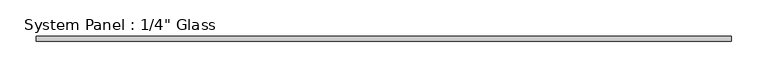
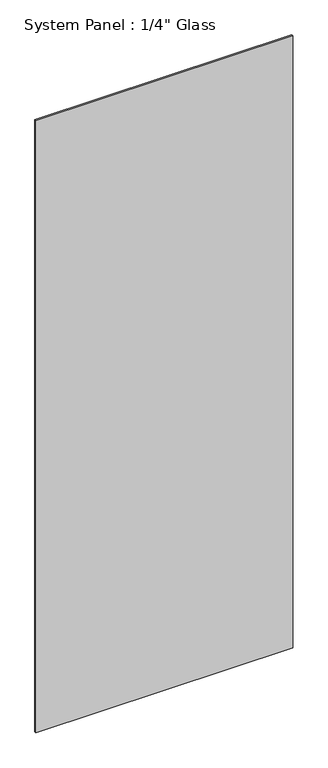
"""IFC4 building model written with IfcOpenShell, lengths in millimetres: plate geometry."""

import ifcopenshell
import ifcopenshell.guid

model = None  # the IFC model being written
_history = None  # IfcOwnerHistory: only IFC2X3 demands one
_inside = {}  # id of a spatial element -> (the spatial element, [elements in it])
_under = {}  # id of a project, library or spatial element -> (it, [spatial elements below it])
_declared = {}  # id of a project -> (the project, [libraries it declares])
_typed = {}  # id of a type object -> (the type object, [elements of that type])
_made_of = {}  # id of a material, layer set ... -> (it, [elements and type objects made of it])


def new_model(schema):
    """Start an empty IFC model of exactly this schema.

    Asked for "IFC4X3", IfcOpenShell would pick the latest addendum, in which some entities
    have other attributes; the version numbers below select the first issue.
    IFC2X3 requires an IfcOwnerHistory on every rooted entity: one is made here for all.
    """
    global model, _history
    if schema == "IFC4X3":
        model = ifcopenshell.file(schema_version=(4, 3, 0, 0))
    else:
        model = ifcopenshell.file(schema=schema)
    _inside.clear()
    _under.clear()
    _declared.clear()
    _typed.clear()
    _made_of.clear()
    _history = None
    if model.schema == "IFC2X3":
        org = make("IfcOrganization", Name="unknown")
        user = make(
            "IfcPersonAndOrganization",
            ThePerson=make("IfcPerson", FamilyName="unknown"),
            TheOrganization=org,
        )
        app = make(
            "IfcApplication",
            ApplicationDeveloper=org,
            Version="unknown",
            ApplicationFullName="unknown",
            ApplicationIdentifier="unknown",
        )
        _history = make(
            "IfcOwnerHistory",
            OwningUser=user,
            OwningApplication=app,
            ChangeAction="ADDED",
            CreationDate=0,
        )
    return model


def make(cls, **values):
    """One entity of the class cls with the attributes given. An attribute that is None is left unset."""
    return model.create_entity(
        cls, **{name: value for name, value in values.items() if value is not None}
    )


def rooted(cls, **values):
    """An entity with a GlobalId (a new one), such as an element, a storey or a relation."""
    return make(cls, GlobalId=ifcopenshell.guid.new(), OwnerHistory=_history, **values)


def si_unit(unit_type, name, prefix=None):
    """IfcSIUnit, for example si_unit("LENGTHUNIT", "METRE", prefix="MILLI")."""
    return make("IfcSIUnit", UnitType=unit_type, Prefix=prefix, Name=name)


def assignment(units):
    """IfcUnitAssignment: the units of a project."""
    return None if units is None else make("IfcUnitAssignment", Units=units)


def point(xyz):
    """IfcCartesianPoint."""
    return None if xyz is None else make("IfcCartesianPoint", Coordinates=xyz)


def direction(xyz):
    """IfcDirection."""
    return None if xyz is None else make("IfcDirection", DirectionRatios=xyz)


def frame(location, z_axis=None, x_axis=None):
    """IfcAxis2Placement3D, a coordinate frame: its origin and axes. An axis left out is left unset."""
    return make(
        "IfcAxis2Placement3D",
        Location=point(location),
        Axis=direction(z_axis),
        RefDirection=direction(x_axis),
    )


def origin():
    """The frame at (0, 0, 0) with its axes left unset."""
    return frame((0.0, 0.0, 0.0))


def origin_with_axes():
    """The frame at (0, 0, 0) with the z axis (0, 0, 1) and the x axis (1, 0, 0) written out."""
    return frame((0.0, 0.0, 0.0), z_axis=(0.0, 0.0, 1.0), x_axis=(1.0, 0.0, 0.0))


def place(relative_to, where):
    """IfcLocalPlacement: puts the frame where relative to a parent placement (None: the world)."""
    return make(
        "IfcLocalPlacement", PlacementRelTo=relative_to, RelativePlacement=where
    )


def context(
    kind, dimensions, precision=None, world=None, true_north=None, identifier=None
):
    """IfcGeometricRepresentationContext, for example the 3D "Model" context."""
    return make(
        "IfcGeometricRepresentationContext",
        ContextIdentifier=identifier,
        ContextType=kind,
        CoordinateSpaceDimension=dimensions,
        Precision=precision,
        WorldCoordinateSystem=world,
        TrueNorth=true_north,
    )


def project(units=None, contexts=None):
    """IfcProject with its units and contexts."""
    return rooted(
        "IfcProject",
        Name="project",
        RepresentationContexts=contexts,
        UnitsInContext=assignment(units),
    )


def spatial(cls, under=None, at=None, **own):
    """A site, building, storey or space (cls), placed at a placement, below another one or the project."""
    s = rooted(cls, ObjectPlacement=at, **own)
    if under is not None:
        _under.setdefault(under.id(), (under, []))[1].append(s)
    return s


def polyline(points):
    """IfcPolyline through the points."""
    return make("IfcPolyline", Points=[point(p) for p in points])


def outline(outer, holes=None, kind="AREA"):
    """IfcArbitraryClosedProfileDef: a profile drawn as a closed curve; with holes, ...WithVoids."""
    if holes is None:
        return make("IfcArbitraryClosedProfileDef", ProfileType=kind, OuterCurve=outer)
    return make(
        "IfcArbitraryProfileDefWithVoids",
        ProfileType=kind,
        OuterCurve=outer,
        InnerCurves=holes,
    )


def extrude(swept, where, along, depth):
    """IfcExtrudedAreaSolid: the profile swept, set in the frame where, extruded along a direction by depth."""
    return make(
        "IfcExtrudedAreaSolid",
        SweptArea=swept,
        Position=where,
        ExtrudedDirection=direction(along),
        Depth=depth,
    )


def shape(context_of_items, identifier, shape_type, items):
    """IfcShapeRepresentation: the items that make up one representation, for example the "Body"."""
    return make(
        "IfcShapeRepresentation",
        ContextOfItems=context_of_items,
        RepresentationIdentifier=identifier,
        RepresentationType=shape_type,
        Items=items,
    )


def source(mapping_origin, context_of_items, identifier, shape_type, items):
    """IfcRepresentationMap: a shape defined once, which mapped items show again and again."""
    return make(
        "IfcRepresentationMap",
        MappingOrigin=mapping_origin,
        MappedRepresentation=shape(context_of_items, identifier, shape_type, items),
    )


def transform(
    local_origin,
    x_axis=None,
    y_axis=None,
    z_axis=None,
    scale=None,
    scale2=None,
    scale3=None,
    uniform=True,
):
    """IfcCartesianTransformationOperator3D, or its non-uniform kind. x_axis, y_axis, z_axis: its Axis1, 2, 3."""
    if uniform:
        return make(
            "IfcCartesianTransformationOperator3D",
            Axis1=direction(x_axis),
            Axis2=direction(y_axis),
            LocalOrigin=point(local_origin),
            Scale=scale,
            Axis3=direction(z_axis),
        )
    return make(
        "IfcCartesianTransformationOperator3DnonUniform",
        Axis1=direction(x_axis),
        Axis2=direction(y_axis),
        LocalOrigin=point(local_origin),
        Scale=scale,
        Axis3=direction(z_axis),
        Scale2=scale2,
        Scale3=scale3,
    )


def mapped(mapping_source, mapping_target):
    """IfcMappedItem: shows the shape of a source again, moved by a transform."""
    return make(
        "IfcMappedItem", MappingSource=mapping_source, MappingTarget=mapping_target
    )


def made_of(thing, what):
    """Note that an element or type object is made of a material, layer set ...; save() writes the relation."""
    if what is not None:
        _made_of.setdefault(what.id(), (what, []))[1].append(thing)
    return thing


def element(
    cls,
    number,
    at=None,
    inside=None,
    cuts=None,
    type_object=None,
    material=None,
    context=None,
    identifier="Body",
    shape_type=None,
    held_by="IfcProductDefinitionShape",
    body=None,
    shapes=None,
    **own,
):
    """One element of the class cls, such as IfcWall. Its Tag is "e" and its number.

    at: its placement. inside: the storey or other place that contains it. cuts: it is an
    opening in that element (IfcRelVoidsElement). A single representation is given by context,
    identifier, shape_type and body (its items); several are given by shapes. held_by: the class
    of the entity that holds the representations. save() writes the other relations.
    """
    e = rooted(cls, Tag="e%d" % number, ObjectPlacement=at, **own)
    if body is not None:
        shapes = [shape(context, identifier, shape_type, body)]
    if shapes is not None:
        e.Representation = make(held_by, Representations=shapes)
    if inside is not None:
        _inside.setdefault(inside.id(), (inside, []))[1].append(e)
    if cuts is not None:
        rooted(
            "IfcRelVoidsElement", RelatingBuildingElement=cuts, RelatedOpeningElement=e
        )
    if type_object is not None:
        _typed.setdefault(type_object.id(), (type_object, []))[1].append(e)
    return made_of(e, material)


def aggregate(whole, parts):
    """IfcRelAggregates: a whole, such as a stair, and the parts it consists of."""
    return rooted("IfcRelAggregates", RelatingObject=whole, RelatedObjects=parts)


def save(model, path):
    """Write the relations noted so far, then the file.

    IfcRelAggregates (storeys below a building ...), IfcRelContainedInSpatialStructure (elements
    in a storey), IfcRelDefinesByType, IfcRelAssociatesMaterial and IfcRelDeclares: one each for
    every whole, place, type object, material and project.
    """
    for whole, parts in _under.values():
        aggregate(whole, parts)
    for where, things in _inside.values():
        rooted(
            "IfcRelContainedInSpatialStructure",
            RelatedElements=things,
            RelatingStructure=where,
        )
    for kind, things in _typed.values():
        rooted("IfcRelDefinesByType", RelatedObjects=things, RelatingType=kind)
    for what, things in _made_of.values():
        rooted("IfcRelAssociatesMaterial", RelatedObjects=things, RelatingMaterial=what)
    for by, libraries in _declared.values():
        rooted("IfcRelDeclares", RelatingContext=by, RelatedDefinitions=libraries)
    model.write(path)


def plate_2bb7204a(model_context):
    return source(origin(), model_context, "Body", "SweptSolid", [
        extrude(outline(polyline([(476.25, -3.175), (-476.25, -3.175), (-476.25, 3.175), (476.25, 3.175), (476.25, -3.175)])), origin_with_axes(), (0.0, 0.0, 1.0), 2400.3),
    ])


if __name__ == "__main__":
    model = new_model("IFC4")
    model_context = context("Model", 3, world=origin())
    ifc_project = project(units=[si_unit("LENGTHUNIT", "METRE", prefix="MILLI")], contexts=[model_context])
    site = spatial("IfcSite", under=ifc_project)
    building = spatial("IfcBuilding", under=site)
    placement = place(None, origin())
    plate_shape = plate_2bb7204a(model_context)
    element("IfcPlate", 1, ObjectType="System Panel : 1/4\" Glass", at=placement, inside=building, context=model_context, shape_type="MappedRepresentation", body=[
        mapped(plate_shape, transform((0.0, 0.0, 0.0), x_axis=(1.0, 0.0, 0.0), y_axis=(0.0, 1.0, 0.0), z_axis=(0.0, 0.0, 1.0))),
    ])
    save(model, "model.ifc")
